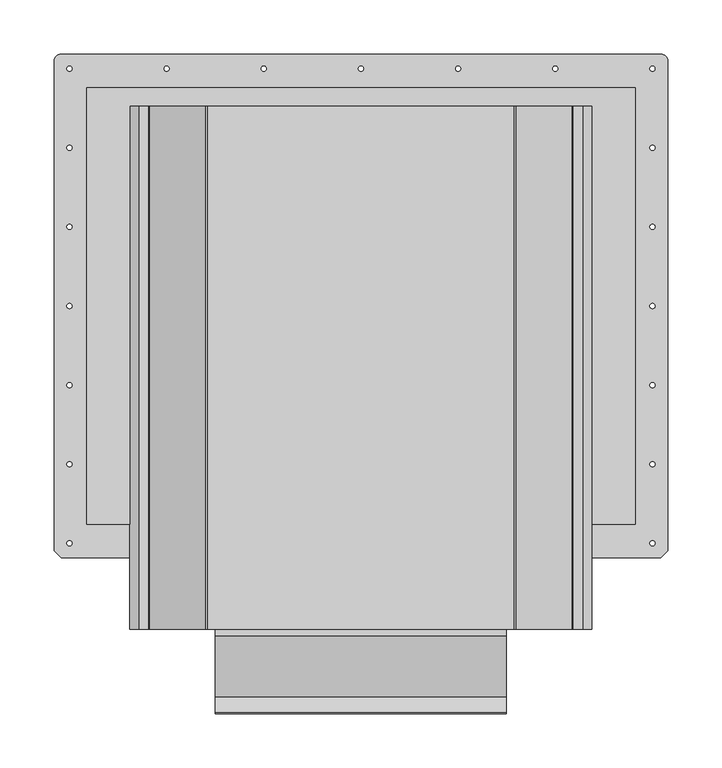
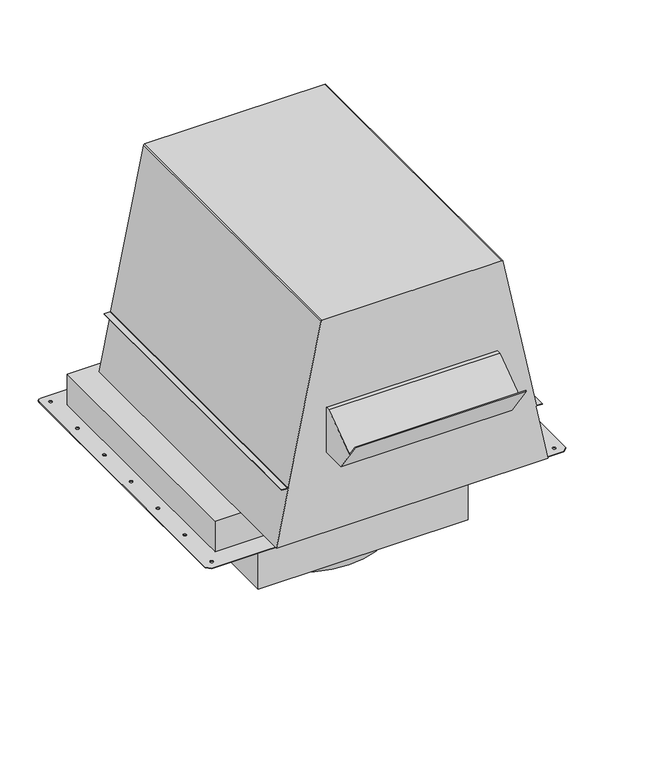
"""IFC4 building model written with IfcOpenShell, lengths in millimetres: proxy geometry."""

from ifc_helpers import new_model, si_unit, point, frame, frame_2d, origin, origin_with_axes, place, context, project, spatial, polyline, circle_curve, trimmed, segment, composite_curve, outline, extrude, source, transform, mapped, element, save
from ifc_brep_helpers import plane_surface, cylinder_surface, revolved_surface, advanced_brep


def generic_models_da1187b6(model_context):
    return source(origin(), model_context, "Body", "SolidModel", [
        extrude(outline(composite_curve([segment(trimmed(circle_curve(frame_2d((0.0, -3.7938939)), 63.5), [point((-63.5, -3.7938939))], [point((63.5, -3.7938939))], False, "CARTESIAN"), True, "CONTINUOUS"), segment(trimmed(circle_curve(frame_2d((0.0, -3.7938939)), 63.5), [point((63.5, -3.7938939))], [point((-63.5, -3.7938939))], False, "CARTESIAN"), True, "CONTINUOUS")], self_intersect=False)), frame((0.0, 0.0, -180.07965), z_axis=(0.0, 0.0, 1.0), x_axis=(1.0, 0.0, 0.0)), (0.0, 0.0, 1.0), 25.3635),
        extrude(outline(composite_curve([segment(trimmed(circle_curve(frame_2d((0.0, -3.7938939)), 127.0), [point((-127.0, -3.7938939))], [point((127.0, -3.7938939))], False, "CARTESIAN"), True, "CONTINUOUS"), segment(trimmed(circle_curve(frame_2d((0.0, -3.7938939)), 127.0), [point((127.0, -3.7938939))], [point((-127.0, -3.7938939))], False, "CARTESIAN"), True, "CONTINUOUS")], self_intersect=False)), frame((0.0, 0.0, -154.71615), z_axis=(0.0, 0.0, 1.0), x_axis=(1.0, 0.0, 0.0)), (0.0, 0.0, 1.0), 40.41615),
        extrude(outline(polyline([(-342.1695677, 183.060975), (-380.9576804, 238.4561408), (-380.2086477, 238.9806191), (-365.6935125, 218.2508576), (-309.2289427, 257.787775), (-302.7471802, 257.787775), (-302.7471802, 183.060975), (-342.1695677, 183.060975)])), frame((-134.2644, 0.0, 0.0), z_axis=(1.0, 0.0, 0.0), x_axis=(0.0, 1.0, 0.0)), (0.0, 0.0, 1.0), 268.5288),
        extrude(outline(polyline([(165.1, -169.5289427), (-165.1, -169.5289427), (-165.1, 160.6710573), (165.1, 160.6710573), (165.1, -169.5289427)])), frame((0.0, 0.0, -114.3), z_axis=(0.0, 0.0, 1.0), x_axis=(1.0, 0.0, 0.0)), (0.0, 0.0, 1.0), 114.3),
        advanced_brep(
        [(213.1852833, -302.7471802, 51.816), (194.4518487, -302.7471802, 144.6310791), (198.4375114, -302.7471802, 144.6310791), (204.7875114, -302.7471802, 144.6310791), (204.7875114, -302.7471802, 145.5454791), (195.906864, -302.7471802, 145.5454791), (195.1350285, -302.7471802, 146.1770948), (143.1632514, -302.7471802, 403.6720341), (141.4950908, -302.7471802, 405.0371391), (-141.495068, -302.7471802, 405.0371391), (-143.1632286, -302.7471802, 403.6720341), (-195.1350057, -302.7471802, 146.1770948), (-195.9068412, -302.7471802, 145.5454791), (-204.7874886, -302.7471802, 145.5454791), (-204.7874886, -302.7471802, 144.6310791), (-195.9068412, -302.7471802, 144.6310791), (-194.2386807, -302.7471802, 145.996184), (-213.1852605, -302.7471802, 51.816), (213.1852833, 179.7194698, 51.816), (-213.1852605, 179.7194698, 51.816), (-194.1787403, 179.7194698, 145.9840859), (-195.9068412, 179.7194698, 144.6310791), (-204.7874886, 179.7194698, 144.6310791), (-204.7874886, 179.7194698, 145.5454791), (-195.9068412, 179.7194698, 145.5454791), (-195.1350057, 179.7194698, 146.1770948), (-143.1632286, 179.7194698, 403.6720341), (-141.495068, 179.7194698, 405.0371391), (141.4950908, 179.7194698, 405.0371391), (143.1632514, 179.7194698, 403.6720341), (195.1350285, 179.7194698, 146.1770948), (195.906864, 179.7194698, 145.5454791), (204.7875114, 179.7194698, 145.5454791), (204.7875114, 179.7194698, 144.6310791), (198.4375114, 179.7194698, 144.6310791), (194.4518487, 179.7194698, 144.6310791)],
        [
            (0, 1),
            (1, 2),
            (2, 3),
            (3, 4),
            (4, 5),
            (5, 6, circle_curve(frame((195.906864, -302.7471802, 146.3328791), z_axis=(0.0, 1.0, 0.0), x_axis=(0.0, 0.0, -1.0)), 0.7874)),
            (6, 7),
            (7, 8, circle_curve(frame((141.4950908, -302.7471802, 403.3353391), z_axis=(0.0, -1.0, 0.0), x_axis=(0.0, 0.0, -1.0)), 1.7018)),
            (8, 9),
            (9, 10, circle_curve(frame((-141.495068, -302.7471802, 403.3353391), z_axis=(0.0, -1.0, 0.0), x_axis=(0.0, 0.0, -1.0)), 1.7018)),
            (10, 11),
            (11, 12, circle_curve(frame((-195.9068412, -302.7471802, 146.3328791), z_axis=(0.0, 1.0, 0.0), x_axis=(0.0, 0.0, -1.0)), 0.7874)),
            (12, 13),
            (13, 14),
            (14, 15),
            (15, 16, circle_curve(frame((-195.9068412, -302.7471802, 146.3328791), z_axis=(0.0, -1.0, 0.0), x_axis=(0.0, 0.0, -1.0)), 1.7018)),
            (16, 17),
            (17, 0),
            (18, 19),
            (19, 20),
            (20, 21, circle_curve(frame((-195.9068412, 179.7194698, 146.3328791), z_axis=(0.0, 1.0, 0.0), x_axis=(0.0, 0.0, -1.0)), 1.7018)),
            (21, 22),
            (22, 23),
            (23, 24),
            (24, 25, circle_curve(frame((-195.9068412, 179.7194698, 146.3328791), z_axis=(0.0, -1.0, 0.0), x_axis=(0.0, 0.0, -1.0)), 0.7874)),
            (25, 26),
            (26, 27, circle_curve(frame((-141.495068, 179.7194698, 403.3353391), z_axis=(0.0, 1.0, 0.0), x_axis=(0.0, 0.0, -1.0)), 1.7018)),
            (27, 28),
            (28, 29, circle_curve(frame((141.4950908, 179.7194698, 403.3353391), z_axis=(0.0, 1.0, 0.0), x_axis=(0.0, 0.0, -1.0)), 1.7018)),
            (29, 30),
            (30, 31, circle_curve(frame((195.906864, 179.7194698, 146.3328791), z_axis=(0.0, -1.0, 0.0), x_axis=(0.0, 0.0, -1.0)), 0.7874)),
            (31, 32),
            (32, 33),
            (33, 34),
            (34, 35),
            (35, 18),
            (0, 18),
            (35, 1),
            (34, 2),
            (33, 3),
            (32, 4),
            (31, 5),
            (30, 6),
            (29, 7),
            (28, 8),
            (27, 9),
            (26, 10),
            (25, 11),
            (24, 12),
            (23, 13),
            (22, 14),
            (21, 15),
            (20, 16),
            (19, 17),
        ],
        [
            plane_surface(frame((212.6906556, -302.7471802, 54.2666401), z_axis=(0.0, -1.0, 0.0), x_axis=(-0.19784642237270234, 0.0, 0.9802330300261883))),
            plane_surface(frame((212.6906556, 179.7194698, 54.2666401), z_axis=(0.0, 1.0, 0.0), x_axis=(0.19784642237270234, 0.0, -0.9802330300261883))),
            plane_surface(frame((213.1852833, -302.7471802, 51.816), z_axis=(0.9802330300261883, 0.0, 0.19784642237270234), x_axis=(0.0, 1.0, 0.0))),
            plane_surface(frame((194.4518487, -302.7471802, 144.6310791), z_axis=(0.0, 0.0, -1.0), x_axis=(0.0, 1.0, 0.0))),
            plane_surface(frame((198.4375114, -302.7471802, 144.6310791), z_axis=(0.0, 0.0, -1.0), x_axis=(0.0, 1.0, 0.0))),
            plane_surface(frame((204.7875114, -302.7471802, 144.6310791), z_axis=(1.0, 0.0, 0.0), x_axis=(0.0, 1.0, 0.0))),
            plane_surface(frame((204.7875114, -302.7471802, 145.5454791), z_axis=(0.0, 0.0, 1.0), x_axis=(0.0, 1.0, 0.0))),
            revolved_surface(polyline([(195.906864, 179.7194698, 145.54547910000002), (195.906864, -302.7471802, 145.54547910000002)]), (195.906864, 179.7194698, 146.3328791), (0.0, 1.0, 0.0)),
            plane_surface(frame((195.1350285, -302.7471802, 146.1770948), z_axis=(0.9802330299951215, 0.0, 0.19784642252662374), x_axis=(0.0, 1.0, 0.0))),
            cylinder_surface(frame((141.4950908, 179.7194698, 403.3353391), z_axis=(0.0, -1.0, 0.0), x_axis=(0.0, 0.0, -1.0)), 1.7018),
            plane_surface(frame((141.4950908, -302.7471802, 405.0371391), z_axis=(0.0, 0.0, 1.0), x_axis=(0.0, 1.0, 0.0))),
            cylinder_surface(frame((-141.495068, 179.7194698, 403.3353391), z_axis=(0.0, -1.0, 0.0), x_axis=(0.0, 0.0, -1.0)), 1.7018),
            plane_surface(frame((-143.1632286, -302.7471802, 403.6720341), z_axis=(-0.9802330299951224, 0.0, 0.19784642252661921), x_axis=(0.0, 1.0, 0.0))),
            revolved_surface(polyline([(-195.9068412, 179.7194698, 145.54547910000002), (-195.9068412, -302.7471802, 145.54547910000002)]), (-195.9068412, 179.7194698, 146.3328791), (0.0, 1.0, 0.0)),
            plane_surface(frame((-195.9068412, -302.7471802, 145.5454791), z_axis=(0.0, 0.0, 1.0), x_axis=(0.0, 1.0, 0.0))),
            plane_surface(frame((-204.7874886, -302.7471802, 145.5454791), z_axis=(-1.0, 0.0, 0.0), x_axis=(0.0, 1.0, 0.0))),
            plane_surface(frame((-204.7874886, -302.7471802, 144.6310791), z_axis=(0.0, 0.0, -1.0), x_axis=(0.0, 1.0, 0.0))),
            cylinder_surface(frame((-195.9068412, 179.7194698, 146.3328791), z_axis=(0.0, -1.0, 0.0), x_axis=(0.0, 0.0, -1.0)), 1.7018),
            plane_surface(frame((-194.1787403, -302.7471802, 145.9840859), z_axis=(-0.9802330299951226, 0.0, 0.1978464225266183), x_axis=(0.0, 1.0, 0.0))),
            plane_surface(frame((-213.1852605, -302.7471802, 51.816), z_axis=(0.0, 0.0, -1.0), x_axis=(0.0, 1.0, 0.0))),
        ],
        [
            (0, [[1, 2, 3, 4, 5, 6, 7, 8, 9, 10, 11, 12, 13, 14, 15, 16, 17, 18]]),
            (1, [[19, 20, 21, 22, 23, 24, 25, 26, 27, 28, 29, 30, 31, 32, 33, 34, 35, 36]]),
            (2, [[-1, 37, -36, 38]]),
            (3, [[-2, -38, -35, 39]]),
            (4, [[-3, -39, -34, 40]]),
            (5, [[-4, -40, -33, 41]]),
            (6, [[-5, -41, -32, 42]]),
            (7, [[-6, -42, -31, 43]]),
            (8, [[-7, -43, -30, 44]]),
            (9, [[-8, -44, -29, 45]]),
            (10, [[-9, -45, -28, 46]]),
            (11, [[-10, -46, -27, 47]]),
            (12, [[-11, -47, -26, 48]]),
            (13, [[-12, -48, -25, 49]]),
            (14, [[-13, -49, -24, 50]]),
            (15, [[-14, -50, -23, 51]]),
            (16, [[-15, -51, -22, 52]]),
            (17, [[-16, -52, -21, 53]]),
            (18, [[-17, -53, -20, 54]]),
            (19, [[-18, -54, -19, -37]]),
        ],
    ),
        extrude(outline(composite_curve([segment(trimmed(circle_curve(frame_2d((276.8346, 221.5548446)), 6.35), [point((276.8346, 227.9048446))], [point((283.1845873, 221.5421446))], False, "CARTESIAN"), True, "CONTINUOUS"), segment(polyline([(283.1845873, 221.5421446), (283.1845873, -230.5651427), (276.8345873, -236.9151427), (-276.8345873, -236.9151427), (-283.1845873, -230.5651427), (-283.1845873, 221.5421446)]), True, "CONTINUOUS"), segment(trimmed(circle_curve(frame_2d((-276.8346, 221.5548446)), 6.35), [point((-283.1845873, 221.5421446))], [point((-276.8346, 227.9048446))], False, "CARTESIAN"), True, "CONTINUOUS"), segment(polyline([(-276.8346, 227.9048446), (276.8346, 227.9048446)]), True, "CONTINUOUS")], self_intersect=False), holes=[polyline([(-253.3142, 196.1548573), (-253.3142, -191.9731873), (253.3142, -191.9731873), (253.3142, 196.1548573), (-253.3142, 196.1548573)]), composite_curve([segment(trimmed(circle_curve(frame_2d((-269.08125, 214.6095321)), 2.38125), [point((-271.4625, 214.6095321))], [point((-266.7, 214.6095321))], True, "CARTESIAN"), True, "CONTINUOUS"), segment(trimmed(circle_curve(frame_2d((-269.08125, 214.6095321)), 2.38125), [point((-266.7, 214.6095321))], [point((-271.4625, 214.6095321))], True, "CARTESIAN"), True, "CONTINUOUS")], self_intersect=False), composite_curve([segment(trimmed(circle_curve(frame_2d((-269.0955248, 141.5194573)), 2.38125), [point((-271.4767748, 141.5194573))], [point((-266.7142748, 141.5194573))], True, "CARTESIAN"), True, "CONTINUOUS"), segment(trimmed(circle_curve(frame_2d((-269.0955248, 141.5194573)), 2.38125), [point((-266.7142748, 141.5194573))], [point((-271.4767748, 141.5194573))], True, "CARTESIAN"), True, "CONTINUOUS")], self_intersect=False), composite_curve([segment(trimmed(circle_curve(frame_2d((-269.0955248, 68.4944573)), 2.38125), [point((-271.4767748, 68.4944573))], [point((-266.7142748, 68.4944573))], True, "CARTESIAN"), True, "CONTINUOUS"), segment(trimmed(circle_curve(frame_2d((-269.0955248, 68.4944573)), 2.38125), [point((-266.7142748, 68.4944573))], [point((-271.4767748, 68.4944573))], True, "CARTESIAN"), True, "CONTINUOUS")], self_intersect=False), composite_curve([segment(trimmed(circle_curve(frame_2d((-269.0955248, -4.5305427)), 2.38125), [point((-271.4767748, -4.5305427))], [point((-266.7142748, -4.5305427))], True, "CARTESIAN"), True, "CONTINUOUS"), segment(trimmed(circle_curve(frame_2d((-269.0955248, -4.5305427)), 2.38125), [point((-266.7142748, -4.5305427))], [point((-271.4767748, -4.5305427))], True, "CARTESIAN"), True, "CONTINUOUS")], self_intersect=False), composite_curve([segment(trimmed(circle_curve(frame_2d((-269.0955248, -77.5555427)), 2.38125), [point((-271.4767748, -77.5555427))], [point((-266.7142748, -77.5555427))], True, "CARTESIAN"), True, "CONTINUOUS"), segment(trimmed(circle_curve(frame_2d((-269.0955248, -77.5555427)), 2.38125), [point((-266.7142748, -77.5555427))], [point((-271.4767748, -77.5555427))], True, "CARTESIAN"), True, "CONTINUOUS")], self_intersect=False), composite_curve([segment(trimmed(circle_curve(frame_2d((-269.0955248, -150.5805427)), 2.38125), [point((-271.4767748, -150.5805427))], [point((-266.7142748, -150.5805427))], True, "CARTESIAN"), True, "CONTINUOUS"), segment(trimmed(circle_curve(frame_2d((-269.0955248, -150.5805427)), 2.38125), [point((-266.7142748, -150.5805427))], [point((-271.4767748, -150.5805427))], True, "CARTESIAN"), True, "CONTINUOUS")], self_intersect=False), composite_curve([segment(trimmed(circle_curve(frame_2d((-269.0955248, -223.6055427)), 2.38125), [point((-271.4767748, -223.6055427))], [point((-266.7142748, -223.6055427))], True, "CARTESIAN"), True, "CONTINUOUS"), segment(trimmed(circle_curve(frame_2d((-269.0955248, -223.6055427)), 2.38125), [point((-266.7142748, -223.6055427))], [point((-271.4767748, -223.6055427))], True, "CARTESIAN"), True, "CONTINUOUS")], self_intersect=False), composite_curve([segment(trimmed(circle_curve(frame_2d((269.0955248, -223.6055427)), 2.38125), [point((266.7142748, -223.6055427))], [point((271.4767748, -223.6055427))], True, "CARTESIAN"), True, "CONTINUOUS"), segment(trimmed(circle_curve(frame_2d((269.0955248, -223.6055427)), 2.38125), [point((271.4767748, -223.6055427))], [point((266.7142748, -223.6055427))], True, "CARTESIAN"), True, "CONTINUOUS")], self_intersect=False), composite_curve([segment(trimmed(circle_curve(frame_2d((269.0955248, -150.5805427)), 2.38125), [point((266.7142748, -150.5805427))], [point((271.4767748, -150.5805427))], True, "CARTESIAN"), True, "CONTINUOUS"), segment(trimmed(circle_curve(frame_2d((269.0955248, -150.5805427)), 2.38125), [point((271.4767748, -150.5805427))], [point((266.7142748, -150.5805427))], True, "CARTESIAN"), True, "CONTINUOUS")], self_intersect=False), composite_curve([segment(trimmed(circle_curve(frame_2d((269.0955248, -77.5555427)), 2.38125), [point((266.7142748, -77.5555427))], [point((271.4767748, -77.5555427))], True, "CARTESIAN"), True, "CONTINUOUS"), segment(trimmed(circle_curve(frame_2d((269.0955248, -77.5555427)), 2.38125), [point((271.4767748, -77.5555427))], [point((266.7142748, -77.5555427))], True, "CARTESIAN"), True, "CONTINUOUS")], self_intersect=False), composite_curve([segment(trimmed(circle_curve(frame_2d((269.0955248, -4.5305427)), 2.38125), [point((266.7142748, -4.5305427))], [point((271.4767748, -4.5305427))], True, "CARTESIAN"), True, "CONTINUOUS"), segment(trimmed(circle_curve(frame_2d((269.0955248, -4.5305427)), 2.38125), [point((271.4767748, -4.5305427))], [point((266.7142748, -4.5305427))], True, "CARTESIAN"), True, "CONTINUOUS")], self_intersect=False), composite_curve([segment(trimmed(circle_curve(frame_2d((269.0955248, 68.4944573)), 2.38125), [point((266.7142748, 68.4944573))], [point((271.4767748, 68.4944573))], True, "CARTESIAN"), True, "CONTINUOUS"), segment(trimmed(circle_curve(frame_2d((269.0955248, 68.4944573)), 2.38125), [point((271.4767748, 68.4944573))], [point((266.7142748, 68.4944573))], True, "CARTESIAN"), True, "CONTINUOUS")], self_intersect=False), composite_curve([segment(trimmed(circle_curve(frame_2d((269.0955248, 141.5194573)), 2.38125), [point((266.7142748, 141.5194573))], [point((271.4767748, 141.5194573))], True, "CARTESIAN"), True, "CONTINUOUS"), segment(trimmed(circle_curve(frame_2d((269.0955248, 141.5194573)), 2.38125), [point((271.4767748, 141.5194573))], [point((266.7142748, 141.5194573))], True, "CARTESIAN"), True, "CONTINUOUS")], self_intersect=False), composite_curve([segment(trimmed(circle_curve(frame_2d((269.08125, 214.6095321)), 2.38125), [point((266.7, 214.6095321))], [point((271.4625, 214.6095321))], True, "CARTESIAN"), True, "CONTINUOUS"), segment(trimmed(circle_curve(frame_2d((269.08125, 214.6095321)), 2.38125), [point((271.4625, 214.6095321))], [point((266.7, 214.6095321))], True, "CARTESIAN"), True, "CONTINUOUS")], self_intersect=False), composite_curve([segment(trimmed(circle_curve(frame_2d((179.3875, 214.6095321)), 2.38125), [point((177.00625, 214.6095321))], [point((181.76875, 214.6095321))], True, "CARTESIAN"), True, "CONTINUOUS"), segment(trimmed(circle_curve(frame_2d((179.3875, 214.6095321)), 2.38125), [point((181.76875, 214.6095321))], [point((177.00625, 214.6095321))], True, "CARTESIAN"), True, "CONTINUOUS")], self_intersect=False), composite_curve([segment(trimmed(circle_curve(frame_2d((89.69375, 214.6095321)), 2.38125), [point((87.3125, 214.6095321))], [point((92.075, 214.6095321))], True, "CARTESIAN"), True, "CONTINUOUS"), segment(trimmed(circle_curve(frame_2d((89.69375, 214.6095321)), 2.38125), [point((92.075, 214.6095321))], [point((87.3125, 214.6095321))], True, "CARTESIAN"), True, "CONTINUOUS")], self_intersect=False), composite_curve([segment(trimmed(circle_curve(frame_2d((0.0, 214.6095321)), 2.38125), [point((-2.38125, 214.6095321))], [point((2.38125, 214.6095321))], True, "CARTESIAN"), True, "CONTINUOUS"), segment(trimmed(circle_curve(frame_2d((0.0, 214.6095321)), 2.38125), [point((2.38125, 214.6095321))], [point((-2.38125, 214.6095321))], True, "CARTESIAN"), True, "CONTINUOUS")], self_intersect=False), composite_curve([segment(trimmed(circle_curve(frame_2d((-89.69375, 214.6095321)), 2.38125), [point((-92.075, 214.6095321))], [point((-87.3125, 214.6095321))], True, "CARTESIAN"), True, "CONTINUOUS"), segment(trimmed(circle_curve(frame_2d((-89.69375, 214.6095321)), 2.38125), [point((-87.3125, 214.6095321))], [point((-92.075, 214.6095321))], True, "CARTESIAN"), True, "CONTINUOUS")], self_intersect=False), composite_curve([segment(trimmed(circle_curve(frame_2d((-179.3875, 214.6095321)), 2.38125), [point((-181.76875, 214.6095321))], [point((-177.00625, 214.6095321))], True, "CARTESIAN"), True, "CONTINUOUS"), segment(trimmed(circle_curve(frame_2d((-179.3875, 214.6095321)), 2.38125), [point((-177.00625, 214.6095321))], [point((-181.76875, 214.6095321))], True, "CARTESIAN"), True, "CONTINUOUS")], self_intersect=False)]), origin_with_axes(), (0.0, 0.0, 1.0), 1.016),
        extrude(outline(polyline([(253.3142, 197.1200573), (253.3142, -205.9779427), (-253.3142, -205.9779427), (-253.3142, 197.1200573), (253.3142, 197.1200573)])), frame((0.0, 0.0, 1.016), z_axis=(0.0, 0.0, 1.0), x_axis=(1.0, 0.0, 0.0)), (0.0, 0.0, 1.0), 50.8),
    ])


if __name__ == "__main__":
    model = new_model("IFC4")
    model_context = context("Model", 3, world=origin())
    ifc_project = project(units=[si_unit("LENGTHUNIT", "METRE", prefix="MILLI")], contexts=[model_context])
    site = spatial("IfcSite", under=ifc_project)
    building = spatial("IfcBuilding", under=site)
    placement = place(None, origin())
    generic_models_shape = generic_models_da1187b6(model_context)
    element("IfcBuildingElementProxy", 1, Name="Generic Models", at=placement, inside=building, context=model_context, shape_type="MappedRepresentation", body=[
        mapped(generic_models_shape, transform((0.0, 0.0, 0.0), x_axis=(1.0, 0.0, 0.0), y_axis=(0.0, 1.0, 0.0), z_axis=(0.0, 0.0, 1.0))),
    ])
    save(model, "model.ifc")
